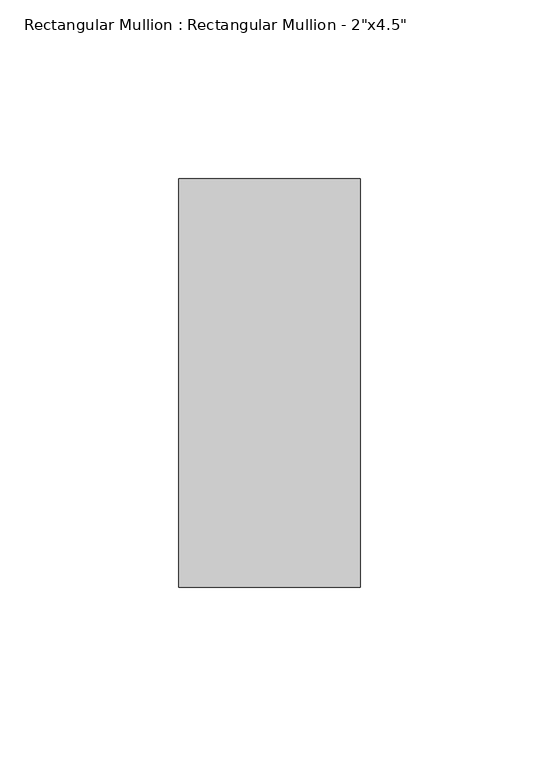
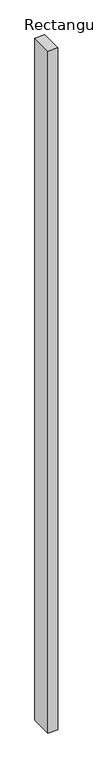
"""IFC4 building model written with IfcOpenShell, lengths in millimetres: member geometry."""

from ifc_helpers import new_model, si_unit, frame, origin, place, context, project, spatial, polyline, outline, extrude, source, transform, mapped, element, save


def member_ad05f9db(model_context):
    return source(origin(), model_context, "Body", "SweptSolid", [
        extrude(outline(polyline([(25.4, 57.15), (25.4, -57.15), (-25.4, -57.15), (-25.4, 57.15), (25.4, 57.15)])), frame((0.0, 0.0, -3657.6), z_axis=(0.0, 0.0, 1.0), x_axis=(1.0, 0.0, 0.0)), (0.0, 0.0, 1.0), 3657.6),
    ])


if __name__ == "__main__":
    model = new_model("IFC4")
    model_context = context("Model", 3, world=origin())
    ifc_project = project(units=[si_unit("LENGTHUNIT", "METRE", prefix="MILLI")], contexts=[model_context])
    site = spatial("IfcSite", under=ifc_project)
    building = spatial("IfcBuilding", under=site)
    placement = place(None, origin())
    member_shape = member_ad05f9db(model_context)
    element("IfcMember", 1, ObjectType="Rectangular Mullion : Rectangular Mullion - 2\"x4.5\"", at=placement, inside=building, context=model_context, shape_type="MappedRepresentation", body=[
        mapped(member_shape, transform((0.0, 0.0, 0.0), x_axis=(1.0, 0.0, 0.0), y_axis=(0.0, 1.0, 0.0), z_axis=(0.0, 0.0, 1.0))),
    ])
    save(model, "model.ifc")
